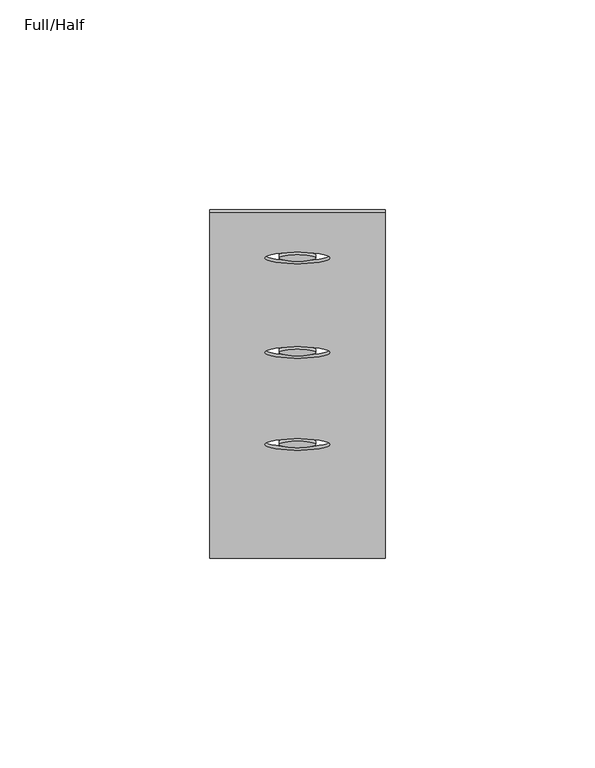
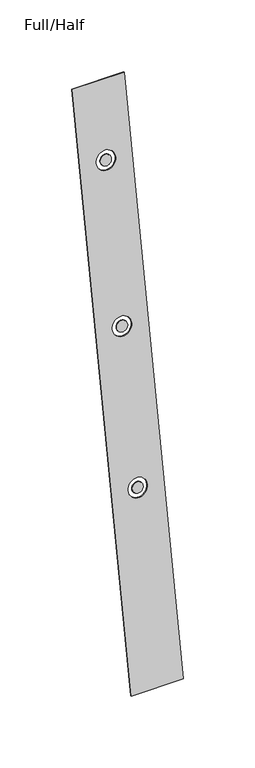
"""IFC4 building model written with IfcOpenShell, lengths in millimetres: furniture geometry, Full/Half."""

from ifc_helpers import new_model, si_unit, point, frame, frame_2d, origin, place, context, project, spatial, polyline, circle_curve, trimmed, segment, composite_curve, outline, extrude, source, transform, mapped, element, save


def full_half_2cae2f0a(model_context):
    return source(origin(), model_context, "Body", "SweptSolid", [
        extrude(outline(polyline([(41.7834961, 0.0), (41.7834961, -473.7102312), (0.0, -473.7102312), (0.0, 0.0), (41.7834961, 0.0)]), holes=[composite_curve([segment(trimmed(circle_curve(frame_2d((20.8958691, -61.9682185)), 7.7534661), [point((13.142403, -61.9682185))], [point((28.6493353, -61.9682185))], True, "CARTESIAN"), True, "CONTINUOUS"), segment(trimmed(circle_curve(frame_2d((20.8958691, -61.9682185)), 7.7534661), [point((28.6493353, -61.9682185))], [point((13.142403, -61.9682185))], True, "CARTESIAN"), True, "CONTINUOUS")], self_intersect=False), composite_curve([segment(trimmed(circle_curve(frame_2d((20.8958905, -191.5821275)), 7.7534661), [point((13.1424244, -191.5821275))], [point((28.6493566, -191.5821275))], True, "CARTESIAN"), True, "CONTINUOUS"), segment(trimmed(circle_curve(frame_2d((20.8958905, -191.5821275)), 7.7534661), [point((28.6493566, -191.5821275))], [point((13.1424244, -191.5821275))], True, "CARTESIAN"), True, "CONTINUOUS")], self_intersect=False), composite_curve([segment(trimmed(circle_curve(frame_2d((20.8958948, -317.5829273)), 7.7534661), [point((13.1424287, -317.5829273))], [point((28.6493609, -317.5829273))], True, "CARTESIAN"), True, "CONTINUOUS"), segment(trimmed(circle_curve(frame_2d((20.8958948, -317.5829273)), 7.7534661), [point((28.6493609, -317.5829273))], [point((13.1424287, -317.5829273))], True, "CARTESIAN"), True, "CONTINUOUS")], self_intersect=False)]), frame((3.6659394, 117.2062601, 490.2236317), z_axis=(0.0, -0.9848113970932373, 0.17362750978824254), x_axis=(1.0, 0.0, 0.0)), (0.0, 0.0, 1.0), 0.7594233),
        extrude(outline(composite_curve([segment(trimmed(circle_curve(frame_2d((20.8958691, -61.9682185)), 4.3853305), [point((16.5105386, -61.9682185))], [point((25.2811997, -61.9682185))], False, "CARTESIAN"), True, "CONTINUOUS"), segment(trimmed(circle_curve(frame_2d((20.8958691, -61.9682185)), 4.3853305), [point((25.2811997, -61.9682185))], [point((16.5105386, -61.9682185))], False, "CARTESIAN"), True, "CONTINUOUS")], self_intersect=False)), frame((3.6659394, 117.2062601, 490.2236317), z_axis=(0.0, -0.9848113970932373, 0.17362750978824254), x_axis=(1.0, 0.0, 0.0)), (0.0, 0.0, 1.0), 0.7594233),
        extrude(outline(composite_curve([segment(trimmed(circle_curve(frame_2d((20.8958905, -191.5821275)), 4.3853305), [point((16.51056, -191.5821275))], [point((25.281221, -191.5821275))], False, "CARTESIAN"), True, "CONTINUOUS"), segment(trimmed(circle_curve(frame_2d((20.8958905, -191.5821275)), 4.3853305), [point((25.281221, -191.5821275))], [point((16.51056, -191.5821275))], False, "CARTESIAN"), True, "CONTINUOUS")], self_intersect=False)), frame((3.6659394, 117.2062601, 490.2236317), z_axis=(0.0, -0.9848113970932373, 0.17362750978824254), x_axis=(1.0, 0.0, 0.0)), (0.0, 0.0, 1.0), 0.7594233),
        extrude(outline(composite_curve([segment(trimmed(circle_curve(frame_2d((20.8958948, -317.5829273)), 4.3853305), [point((16.5105643, -317.5829273))], [point((25.2812253, -317.5829273))], False, "CARTESIAN"), True, "CONTINUOUS"), segment(trimmed(circle_curve(frame_2d((20.8958948, -317.5829273)), 4.3853305), [point((25.2812253, -317.5829273))], [point((16.5105643, -317.5829273))], False, "CARTESIAN"), True, "CONTINUOUS")], self_intersect=False)), frame((3.6659394, 117.2062601, 490.2236317), z_axis=(0.0, -0.9848113970932373, 0.17362750978824254), x_axis=(1.0, 0.0, 0.0)), (0.0, 0.0, 1.0), 0.7594233),
    ])


if __name__ == "__main__":
    model = new_model("IFC4")
    model_context = context("Model", 3, world=origin())
    ifc_project = project(units=[si_unit("LENGTHUNIT", "METRE", prefix="MILLI")], contexts=[model_context])
    site = spatial("IfcSite", under=ifc_project)
    building = spatial("IfcBuilding", under=site)
    placement = place(None, origin())
    full_half_shape = full_half_2cae2f0a(model_context)
    element("IfcFurniture", 1, ObjectType="Full/Half", at=placement, inside=building, context=model_context, shape_type="MappedRepresentation", body=[
        mapped(full_half_shape, transform((0.0, 0.0, 0.0), x_axis=(1.0, 0.0, 0.0), y_axis=(0.0, 1.0, 0.0), z_axis=(0.0, 0.0, 1.0))),
    ])
    save(model, "model.ifc")
